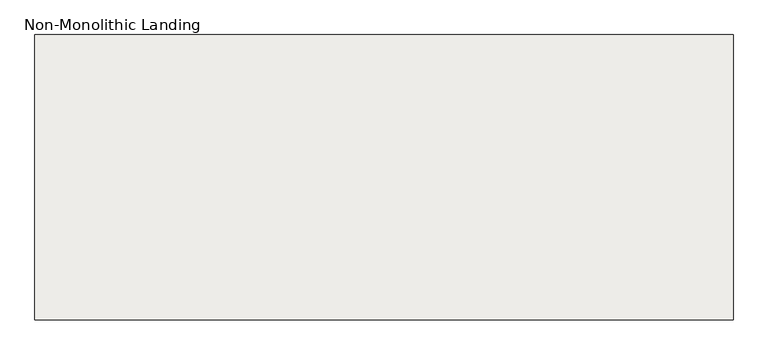
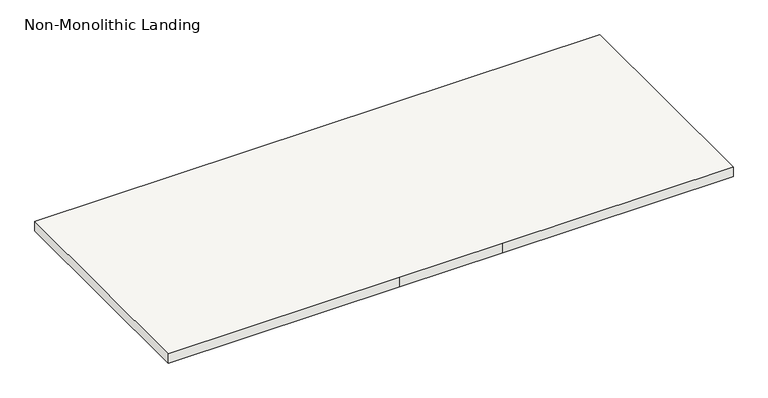
"""IFC4 building model written with IfcOpenShell, lengths in millimetres: slab geometry, Non-Monolithic Landing."""

from ifc_helpers import new_model, si_unit, frame, origin, place, context, project, spatial, polyline, outline, extrude, source, transform, mapped, element, save


def non_monolithic_landing_bbbc77af(model_context):
    return source(origin(), model_context, "Body", "SweptSolid", [
        extrude(outline(polyline([(14679.6955357, 7958.6449078), (14679.6955357, 9158.6449078), (17613.6731966, 9158.6449078), (17613.6731966, 7958.6449078), (16413.6731966, 7958.6449078), (15879.6955357, 7958.6449078), (14679.6955357, 7958.6449078)])), frame((0.0, 0.0, 7225.0), z_axis=(0.0, 0.0, 1.0), x_axis=(1.0, 0.0, 0.0)), (0.0, 0.0, 1.0), 50.0),
    ])


if __name__ == "__main__":
    model = new_model("IFC4")
    model_context = context("Model", 3, world=origin())
    ifc_project = project(units=[si_unit("LENGTHUNIT", "METRE", prefix="MILLI")], contexts=[model_context])
    site = spatial("IfcSite", under=ifc_project)
    building = spatial("IfcBuilding", under=site)
    placement = place(None, origin())
    non_monolithic_landing_shape = non_monolithic_landing_bbbc77af(model_context)
    element("IfcSlab", 1, ObjectType="Non-Monolithic Landing", at=placement, inside=building, context=model_context, shape_type="MappedRepresentation", body=[
        mapped(non_monolithic_landing_shape, transform((0.0, 0.0, 0.0), x_axis=(1.0, 0.0, 0.0), y_axis=(0.0, 1.0, 0.0), z_axis=(0.0, 0.0, 1.0))),
    ])
    save(model, "model.ifc")
